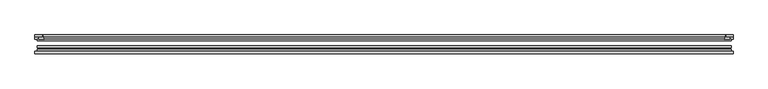
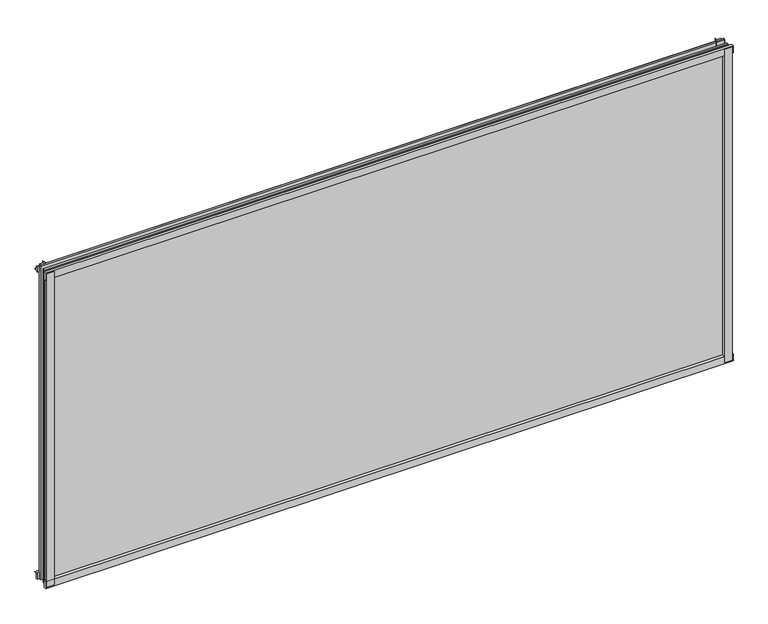
"""IFC4 building model written with IfcOpenShell, lengths in millimetres: plate geometry."""

from ifc_helpers import new_model, si_unit, point, frame, frame_2d, origin, place, context, project, spatial, polyline, circle_curve, trimmed, segment, composite_curve, outline, extrude, source, transform, mapped, element, save


def plate_c14f91d9(model_context):
    return source(origin(), model_context, "Body", "SweptSolid", [
        extrude(outline(composite_curve([segment(polyline([(-899.5171875, -78.7828625), (-878.0959862, -78.7828625)]), True, "CONTINUOUS"), segment(trimmed(circle_curve(frame_2d((-870.4588206, -84.652782)), 9.6323545), [point((-878.0959862, -78.7828625))], [point((-880.079204, -85.1328625))], True, "CARTESIAN"), True, "CONTINUOUS"), segment(polyline([(-880.079204, -85.1328625), (-899.5171875, -85.1328625), (-899.5171875, -78.7828625)]), True, "CONTINUOUS")], self_intersect=False)), frame((0.0, 0.0, -14.2875), z_axis=(0.0, 0.0, 1.0), x_axis=(1.0, 0.0, 0.0)), (0.0, 0.0, 1.0), 869.95),
        extrude(outline(composite_curve([segment(polyline([(899.5194065, -78.7828625), (899.5194065, -85.1328625), (880.0395165, -85.1328625)]), True, "CONTINUOUS"), segment(trimmed(circle_curve(frame_2d((870.4191331, -84.652782)), 9.6323545), [point((880.0395165, -85.1328625))], [point((878.0562987, -78.7828625))], True, "CARTESIAN"), True, "CONTINUOUS"), segment(polyline([(878.0562987, -78.7828625), (899.5194065, -78.7828625)]), True, "CONTINUOUS")], self_intersect=False)), frame((0.0, 0.0, -14.2875), z_axis=(0.0, 0.0, 1.0), x_axis=(1.0, 0.0, 0.0)), (0.0, 0.0, 1.0), 869.95),
        extrude(outline(composite_curve([segment(polyline([(-47.1852625, -14.2875), (-47.1852625, 3.9588469)]), True, "CONTINUOUS"), segment(trimmed(circle_curve(frame_2d((-30.6824422, 32.267054)), 32.7673262), [point((-47.1852625, 3.9588469))], [point((-36.3503395, -0.00635))], True, "CARTESIAN"), True, "CONTINUOUS"), segment(polyline([(-36.3503395, -0.00635), (-42.2830625, -0.00635), (-42.2830625, -14.2875), (-47.1852625, -14.2875)]), True, "CONTINUOUS")], self_intersect=False)), frame((-902.6921875, 0.0, 0.0), z_axis=(1.0, 0.0, 0.0), x_axis=(0.0, 1.0, 0.0)), (0.0, 0.0, 1.0), 1804.19375),
        extrude(outline(composite_curve([segment(polyline([(-78.7828625, -16.8821065), (-85.1328625, -16.8821065), (-85.1328625, 2.5977835)]), True, "CONTINUOUS"), segment(trimmed(circle_curve(frame_2d((-84.652782, 12.2181669)), 9.6323545), [point((-85.1328625, 2.5977835))], [point((-78.7828625, 4.5810013))], True, "CARTESIAN"), True, "CONTINUOUS"), segment(polyline([(-78.7828625, 4.5810013), (-78.7828625, -16.8821065)]), True, "CONTINUOUS")], self_intersect=False)), frame((-902.6921875, 0.0, 0.0), z_axis=(1.0, 0.0, 0.0), x_axis=(0.0, 1.0, 0.0)), (0.0, 0.0, 1.0), 1804.19375),
        extrude(outline(composite_curve([segment(polyline([(-47.1852625, 837.4034531), (-47.1852625, 852.0752564), (-42.2830625, 852.0752564), (-42.2830625, 841.375), (-36.3140625, 841.375)]), True, "CONTINUOUS"), segment(trimmed(circle_curve(frame_2d((-30.6824422, 809.095246)), 32.7673262), [point((-36.3140625, 841.375))], [point((-47.1852625, 837.4034531))], True, "CARTESIAN"), True, "CONTINUOUS")], self_intersect=False)), frame((-902.6921875, 0.0, 0.0), z_axis=(1.0, 0.0, 0.0), x_axis=(0.0, 1.0, 0.0)), (0.0, 0.0, 1.0), 1804.19375),
        extrude(outline(composite_curve([segment(polyline([(-78.7828625, 858.2444065), (-78.7828625, 836.7812987)]), True, "CONTINUOUS"), segment(trimmed(circle_curve(frame_2d((-84.652782, 829.1441331)), 9.6323545), [point((-78.7828625, 836.7812987))], [point((-85.1328625, 838.7645165))], True, "CARTESIAN"), True, "CONTINUOUS"), segment(polyline([(-85.1328625, 838.7645165), (-85.1328625, 858.2444065), (-78.7828625, 858.2444065)]), True, "CONTINUOUS")], self_intersect=False)), frame((-902.6921875, 0.0, 0.0), z_axis=(1.0, 0.0, 0.0), x_axis=(0.0, 1.0, 0.0)), (0.0, 0.0, 1.0), 1804.19375),
        extrude(outline(composite_curve([segment(trimmed(circle_curve(frame_2d((850.370246, -30.6824422)), 32.7673262), [point((878.6784531, -47.1852625))], [point((882.65, -36.3140625))], True, "CARTESIAN"), True, "CONTINUOUS"), segment(polyline([(882.65, -36.3140625), (882.65, -42.2830625), (893.3503653, -42.2830625), (893.3503653, -47.1852625), (878.6784531, -47.1852625)]), True, "CONTINUOUS")], self_intersect=False)), frame((0.0, 0.0, -14.2875), z_axis=(0.0, 0.0, 1.0), x_axis=(1.0, 0.0, 0.0)), (0.0, 0.0, 1.0), 869.95),
        extrude(outline(composite_curve([segment(polyline([(-878.6784531, -47.1852625), (-893.3452092, -47.1852625), (-893.3452092, -42.2830625), (-882.65, -42.2830625), (-882.65, -36.3140625)]), True, "CONTINUOUS"), segment(trimmed(circle_curve(frame_2d((-850.370246, -30.6824422)), 32.7673262), [point((-882.65, -36.3140625))], [point((-878.6784531, -47.1852625))], True, "CARTESIAN"), True, "CONTINUOUS")], self_intersect=False)), frame((0.0, 0.0, -14.2875), z_axis=(0.0, 0.0, 1.0), x_axis=(1.0, 0.0, 0.0)), (0.0, 0.0, 1.0), 869.95),
        extrude(outline(polyline([(896.9375, -64.6604625), (896.9375, -69.4356625), (-896.9375, -69.4356625), (-896.9375, -64.6604625), (896.9375, -64.6604625)])), frame((0.0, 0.0, -14.2875), z_axis=(0.0, 0.0, 1.0), x_axis=(1.0, 0.0, 0.0)), (0.0, 0.0, 1.0), 869.95),
        extrude(outline(polyline([(-896.9375, -78.7828625), (-896.9375, -74.0076625), (896.9375, -74.0076625), (896.9375, -78.7828625), (-896.9375, -78.7828625)])), frame((0.0, 0.0, -14.2875), z_axis=(0.0, 0.0, 1.0), x_axis=(1.0, 0.0, 0.0)), (0.0, 0.0, 1.0), 869.95),
        extrude(outline(polyline([(-896.9375, -47.1852625), (896.9375, -47.1852625), (896.9375, -51.9604625), (-896.9375, -51.9604625), (-896.9375, -47.1852625)])), frame((0.0, 0.0, -14.2875), z_axis=(0.0, 0.0, 1.0), x_axis=(1.0, 0.0, 0.0)), (0.0, 0.0, 1.0), 869.95),
    ])


if __name__ == "__main__":
    model = new_model("IFC4")
    model_context = context("Model", 3, world=origin())
    ifc_project = project(units=[si_unit("LENGTHUNIT", "METRE", prefix="MILLI")], contexts=[model_context])
    site = spatial("IfcSite", under=ifc_project)
    building = spatial("IfcBuilding", under=site)
    placement = place(None, origin())
    plate_shape = plate_c14f91d9(model_context)
    element("IfcPlate", 1, at=placement, inside=building, context=model_context, shape_type="MappedRepresentation", body=[
        mapped(plate_shape, transform((0.0, 0.0, 0.0), x_axis=(1.0, 0.0, 0.0), y_axis=(0.0, 1.0, 0.0), z_axis=(0.0, 0.0, 1.0))),
    ])
    save(model, "model.ifc")
